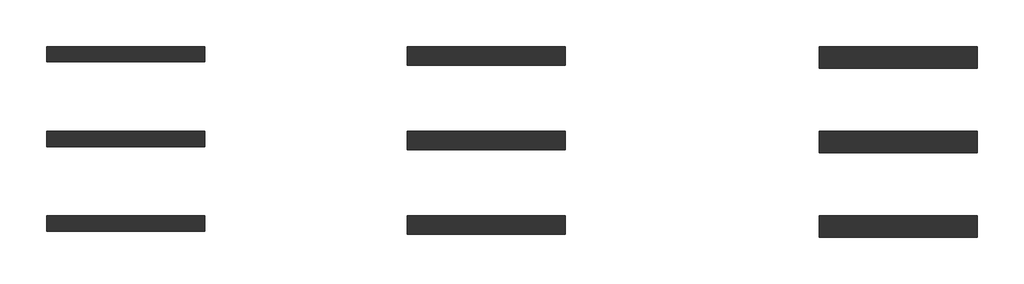
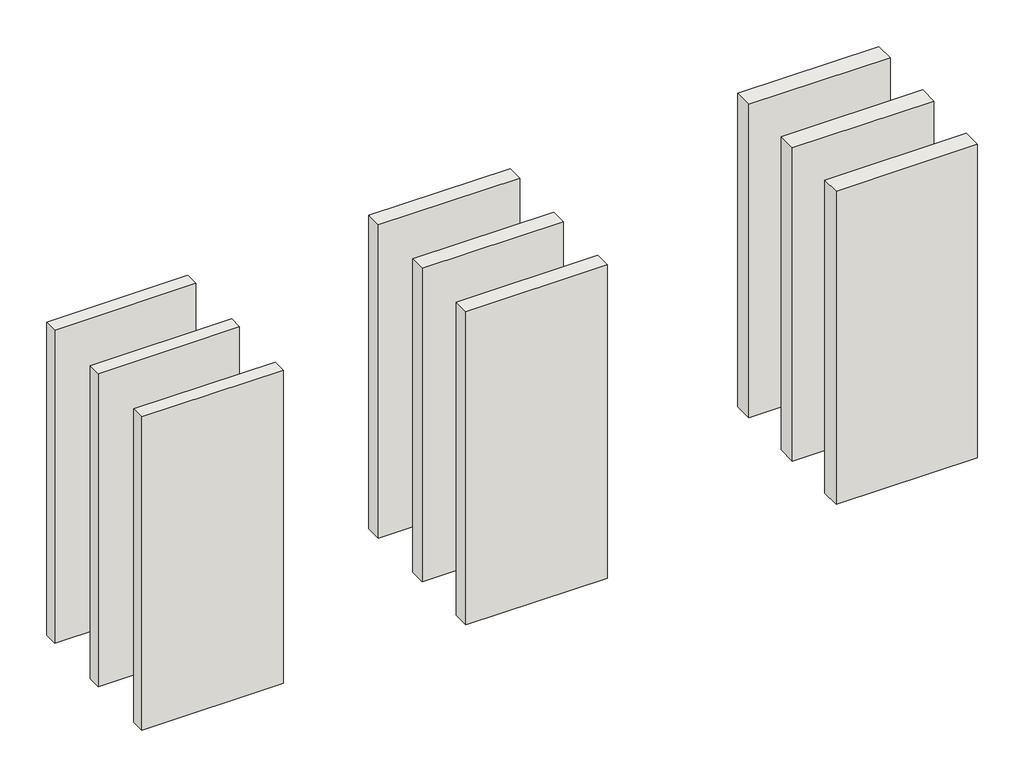
# One storey: 9 walls.
"""IFC4 building model written with IfcOpenShell, lengths in millimetres."""

from ifc_helpers import new_model, si_unit, origin, origin_with_axes, place, context, project, spatial, polyline, outline, extrude, element, save

model = new_model("IFC4")

# Units and contexts
model_context = context("Model", 3, world=origin())
ifc_project = project(units=[si_unit("LENGTHUNIT", "METRE", prefix="MILLI")], contexts=[model_context])

# Site, building, storey
site = spatial("IfcSite", under=ifc_project)
building = spatial("IfcBuilding", under=site)
storey = spatial("IfcBuildingStorey", under=building, Elevation=0.0)

# Walls
placement = place(None, origin())
element("IfcWall", 1, at=placement, inside=storey, context=model_context, shape_type="SweptSolid", body=[
    extrude(outline(polyline([(-3656.3399499, 13469.2035262), (-4936.3399499, 13469.2035262), (-4936.3399499, 13594.2035262), (-3656.3399499, 13594.2035262), (-3656.3399499, 13469.2035262)])), origin_with_axes(), (0.0, 0.0, 1.0), 3000.0),
])
element("IfcWall", 2, at=placement, inside=storey, context=model_context, shape_type="SweptSolid", body=[
    extrude(outline(polyline([(-3656.3399499, 12784.2035262), (-4936.3399499, 12784.2035262), (-4936.3399499, 12909.2035262), (-3656.3399499, 12909.2035262), (-3656.3399499, 12784.2035262)])), origin_with_axes(), (0.0, 0.0, 1.0), 3000.0),
])
element("IfcWall", 3, at=placement, inside=storey, context=model_context, shape_type="SweptSolid", body=[
    extrude(outline(polyline([(-3656.3399499, 12099.2035262), (-4936.3399499, 12099.2035262), (-4936.3399499, 12224.2035262), (-3656.3399499, 12224.2035262), (-3656.3399499, 12099.2035262)])), origin_with_axes(), (0.0, 0.0, 1.0), 3000.0),
])
element("IfcWall", 4, at=placement, inside=storey, context=model_context, shape_type="SweptSolid", body=[
    extrude(outline(polyline([(-736.3399499, 12759.2035262), (-2016.3399499, 12759.2035262), (-2016.3399499, 12909.2035262), (-736.3399499, 12909.2035262), (-736.3399499, 12759.2035262)])), origin_with_axes(), (0.0, 0.0, 1.0), 3000.0),
])
element("IfcWall", 5, at=placement, inside=storey, context=model_context, shape_type="SweptSolid", body=[
    extrude(outline(polyline([(-736.3399499, 12074.2035262), (-2016.3399499, 12074.2035262), (-2016.3399499, 12224.2035262), (-736.3399499, 12224.2035262), (-736.3399499, 12074.2035262)])), origin_with_axes(), (0.0, 0.0, 1.0), 3000.0),
])
element("IfcWall", 6, at=placement, inside=storey, context=model_context, shape_type="SweptSolid", body=[
    extrude(outline(polyline([(2603.6600501, 12734.2035262), (1323.6600501, 12734.2035262), (1323.6600501, 12909.2035262), (2603.6600501, 12909.2035262), (2603.6600501, 12734.2035262)])), origin_with_axes(), (0.0, 0.0, 1.0), 3000.0),
])
element("IfcWall", 7, at=placement, inside=storey, context=model_context, shape_type="SweptSolid", body=[
    extrude(outline(polyline([(2603.6600501, 12049.2035262), (1323.6600501, 12049.2035262), (1323.6600501, 12224.2035262), (2603.6600501, 12224.2035262), (2603.6600501, 12049.2035262)])), origin_with_axes(), (0.0, 0.0, 1.0), 3000.0),
])
element("IfcWall", 8, at=placement, inside=storey, context=model_context, shape_type="SweptSolid", body=[
    extrude(outline(polyline([(-736.3399499, 13444.2035262), (-2016.3399499, 13444.2035262), (-2016.3399499, 13594.2035262), (-736.3399499, 13594.2035262), (-736.3399499, 13444.2035262)])), origin_with_axes(), (0.0, 0.0, 1.0), 3000.0),
])
element("IfcWall", 9, at=placement, inside=storey, context=model_context, shape_type="SweptSolid", body=[
    extrude(outline(polyline([(2603.6600501, 13419.2035262), (1323.6600501, 13419.2035262), (1323.6600501, 13594.2035262), (2603.6600501, 13594.2035262), (2603.6600501, 13419.2035262)])), origin_with_axes(), (0.0, 0.0, 1.0), 3000.0),
])

save(model, "model.ifc")
